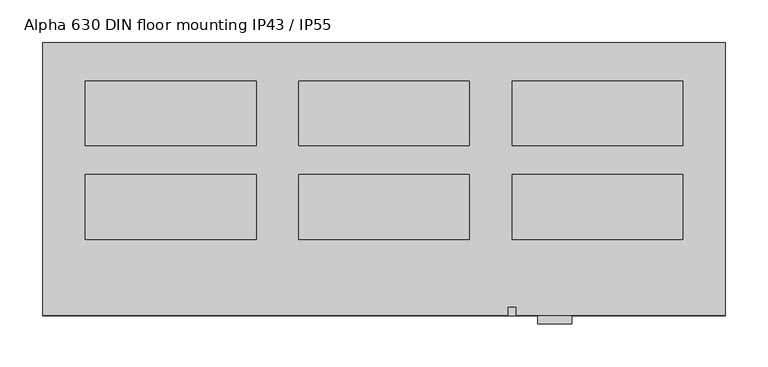
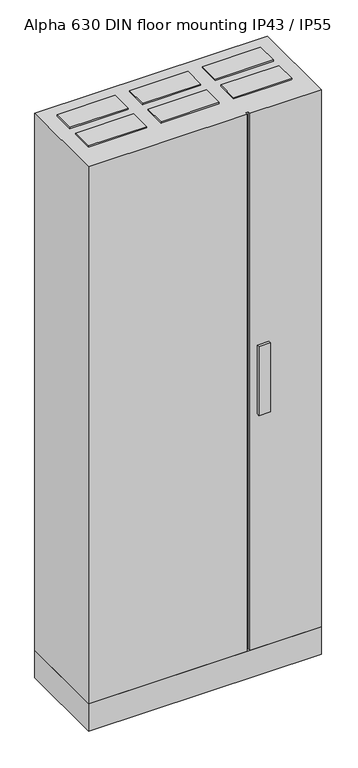
"""IFC4 building model written with IfcOpenShell, lengths in millimetres: proxy geometry, Alpha 630 DIN floor mounting IP43 / IP55."""

from ifc_helpers import new_model, si_unit, frame, origin, origin_with_axes, place, context, project, spatial, polyline, outline, extrude, source, transform, mapped, element, save


def alpha_630_din_floor_mounting_ip43_ip55_b790ff2a(model_context):
    return source(origin(), model_context, "Body", "SweptSolid", [
        extrude(outline(polyline([(750.0, -155.0), (750.0, -231.0), (550.0, -231.0), (550.0, -155.0), (750.0, -155.0)])), frame((0.0, 0.0, 2050.0), z_axis=(0.0, 0.0, 1.0), x_axis=(1.0, 0.0, 0.0)), (0.0, 0.0, 1.0), 5.0),
        extrude(outline(polyline([(750.0, -155.0), (750.0, -231.0), (550.0, -231.0), (550.0, -155.0), (750.0, -155.0)])), frame((0.0, 0.0, 95.0), z_axis=(0.0, 0.0, 1.0), x_axis=(1.0, 0.0, 0.0)), (0.0, 0.0, 1.0), 5.0),
        extrude(outline(polyline([(500.0, -155.0), (500.0, -231.0), (300.0, -231.0), (300.0, -155.0), (500.0, -155.0)])), frame((0.0, 0.0, 2050.0), z_axis=(0.0, 0.0, 1.0), x_axis=(1.0, 0.0, 0.0)), (0.0, 0.0, 1.0), 5.0),
        extrude(outline(polyline([(500.0, -155.0), (500.0, -231.0), (300.0, -231.0), (300.0, -155.0), (500.0, -155.0)])), frame((0.0, 0.0, 95.0), z_axis=(0.0, 0.0, 1.0), x_axis=(1.0, 0.0, 0.0)), (0.0, 0.0, 1.0), 5.0),
        extrude(outline(polyline([(250.0, -155.0), (250.0, -231.0), (50.0, -231.0), (50.0, -155.0), (250.0, -155.0)])), frame((0.0, 0.0, 2050.0), z_axis=(0.0, 0.0, 1.0), x_axis=(1.0, 0.0, 0.0)), (0.0, 0.0, 1.0), 5.0),
        extrude(outline(polyline([(250.0, -155.0), (250.0, -231.0), (50.0, -231.0), (50.0, -155.0), (250.0, -155.0)])), frame((0.0, 0.0, 95.0), z_axis=(0.0, 0.0, 1.0), x_axis=(1.0, 0.0, 0.0)), (0.0, 0.0, 1.0), 5.0),
        extrude(outline(polyline([(750.0, -45.0), (750.0, -121.0), (550.0, -121.0), (550.0, -45.0), (750.0, -45.0)])), frame((0.0, 0.0, 2050.0), z_axis=(0.0, 0.0, 1.0), x_axis=(1.0, 0.0, 0.0)), (0.0, 0.0, 1.0), 5.0),
        extrude(outline(polyline([(750.0, -45.0), (750.0, -121.0), (550.0, -121.0), (550.0, -45.0), (750.0, -45.0)])), frame((0.0, 0.0, 95.0), z_axis=(0.0, 0.0, 1.0), x_axis=(1.0, 0.0, 0.0)), (0.0, 0.0, 1.0), 5.0),
        extrude(outline(polyline([(500.0, -45.0), (500.0, -121.0), (300.0, -121.0), (300.0, -45.0), (500.0, -45.0)])), frame((0.0, 0.0, 2050.0), z_axis=(0.0, 0.0, 1.0), x_axis=(1.0, 0.0, 0.0)), (0.0, 0.0, 1.0), 5.0),
        extrude(outline(polyline([(500.0, -45.0), (500.0, -121.0), (300.0, -121.0), (300.0, -45.0), (500.0, -45.0)])), frame((0.0, 0.0, 95.0), z_axis=(0.0, 0.0, 1.0), x_axis=(1.0, 0.0, 0.0)), (0.0, 0.0, 1.0), 5.0),
        extrude(outline(polyline([(250.0, -45.0), (250.0, -121.0), (50.0, -121.0), (50.0, -45.0), (250.0, -45.0)])), frame((0.0, 0.0, 2050.0), z_axis=(0.0, 0.0, 1.0), x_axis=(1.0, 0.0, 0.0)), (0.0, 0.0, 1.0), 5.0),
        extrude(outline(polyline([(250.0, -45.0), (250.0, -121.0), (50.0, -121.0), (50.0, -45.0), (250.0, -45.0)])), frame((0.0, 0.0, 95.0), z_axis=(0.0, 0.0, 1.0), x_axis=(1.0, 0.0, 0.0)), (0.0, 0.0, 1.0), 5.0),
        extrude(outline(polyline([(620.0, -320.0), (620.0, -330.0), (580.0, -330.0), (580.0, -320.0), (620.0, -320.0)])), frame((0.0, 0.0, 950.0), z_axis=(0.0, 0.0, 1.0), x_axis=(1.0, 0.0, 0.0)), (0.0, 0.0, 1.0), 250.0),
        extrude(outline(polyline([(800.0, 0.0), (800.0, -320.0), (555.0, -320.0), (555.0, -310.0), (545.0, -310.0), (545.0, -320.0), (0.0, -320.0), (0.0, 0.0), (800.0, 0.0)])), frame((0.0, 0.0, 100.0), z_axis=(0.0, 0.0, 1.0), x_axis=(1.0, 0.0, 0.0)), (0.0, 0.0, 1.0), 1950.0),
        extrude(outline(polyline([(800.0, 0.0), (800.0, -320.0), (0.0, -320.0), (0.0, 0.0), (800.0, 0.0)])), origin_with_axes(), (0.0, 0.0, 1.0), 100.0),
    ])


if __name__ == "__main__":
    model = new_model("IFC4")
    model_context = context("Model", 3, world=origin())
    ifc_project = project(units=[si_unit("LENGTHUNIT", "METRE", prefix="MILLI")], contexts=[model_context])
    site = spatial("IfcSite", under=ifc_project)
    building = spatial("IfcBuilding", under=site)
    placement = place(None, origin())
    alpha_630_din_floor_mounting_ip43_ip55_shape = alpha_630_din_floor_mounting_ip43_ip55_b790ff2a(model_context)
    element("IfcBuildingElementProxy", 1, Name="Alpha 630 DIN floor mounting IP43 / IP55", ObjectType="Alpha 630 DIN floor mounting IP43 / IP55", at=placement, inside=building, context=model_context, shape_type="MappedRepresentation", body=[
        mapped(alpha_630_din_floor_mounting_ip43_ip55_shape, transform((0.0, 0.0, 0.0), x_axis=(1.0, 0.0, 0.0), y_axis=(0.0, 1.0, 0.0), z_axis=(0.0, 0.0, 1.0))),
    ])
    save(model, "model.ifc")
